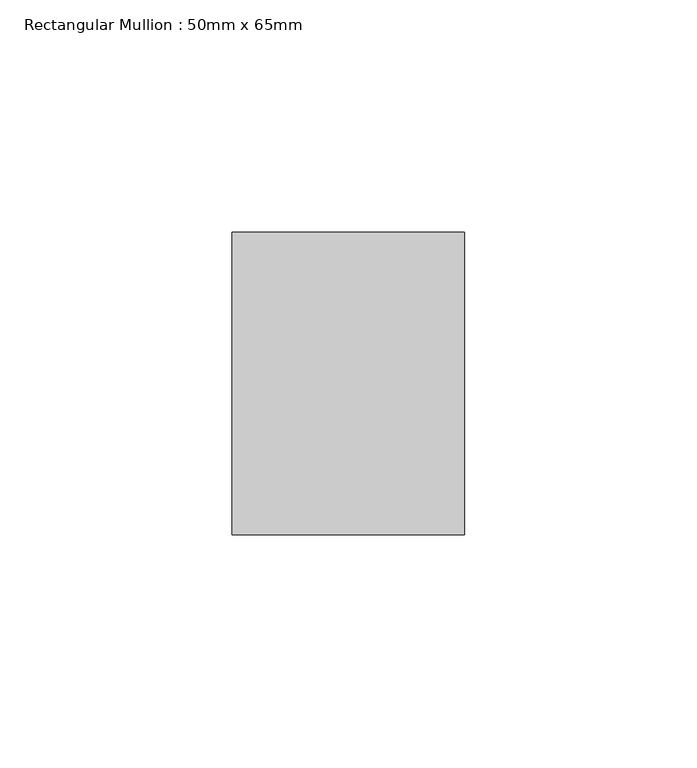
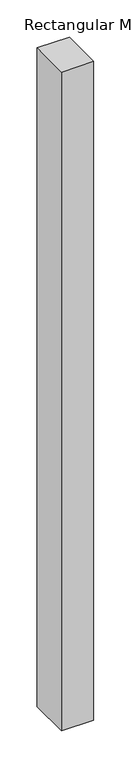
"""IFC4 building model written with IfcOpenShell, lengths in millimetres: member geometry, Rectangular Mullion : 50mm x 65mm."""

from ifc_helpers import new_model, si_unit, frame, origin, place, context, project, spatial, polyline, outline, extrude, source, transform, mapped, element, save


def rectangular_mullion_50mm_x_65mm_f322435a(model_context):
    return source(origin(), model_context, "Body", "SweptSolid", [
        extrude(outline(polyline([(25.0, 32.5), (25.0, -32.5), (-25.0, -32.5), (-25.0, 32.5), (25.0, 32.5)])), frame((0.0, 0.0, -1078.0449137), z_axis=(0.0, 0.0, 1.0), x_axis=(1.0, 0.0, 0.0)), (0.0, 0.0, 1.0), 1078.0449137),
    ])


if __name__ == "__main__":
    model = new_model("IFC4")
    model_context = context("Model", 3, world=origin())
    ifc_project = project(units=[si_unit("LENGTHUNIT", "METRE", prefix="MILLI")], contexts=[model_context])
    site = spatial("IfcSite", under=ifc_project)
    building = spatial("IfcBuilding", under=site)
    placement = place(None, origin())
    rectangular_mullion_50mm_x_65mm_shape = rectangular_mullion_50mm_x_65mm_f322435a(model_context)
    element("IfcMember", 1, ObjectType="Rectangular Mullion : 50mm x 65mm", at=placement, inside=building, context=model_context, shape_type="MappedRepresentation", body=[
        mapped(rectangular_mullion_50mm_x_65mm_shape, transform((0.0, 0.0, 0.0), x_axis=(1.0, 0.0, 0.0), y_axis=(0.0, 1.0, 0.0), z_axis=(0.0, 0.0, 1.0))),
    ])
    save(model, "model.ifc")
